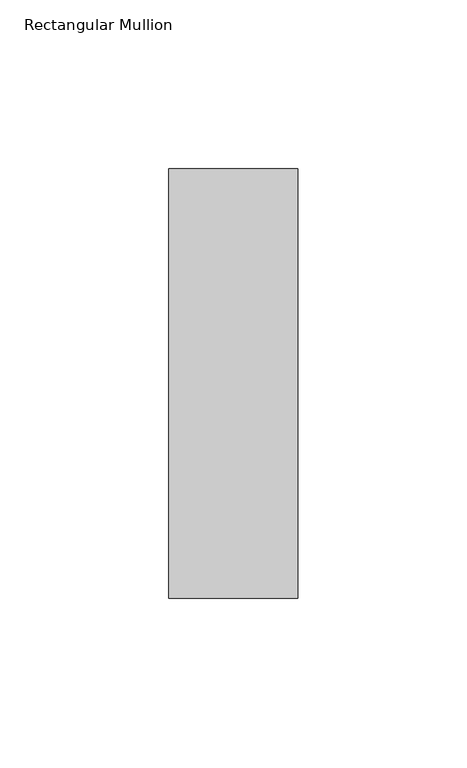
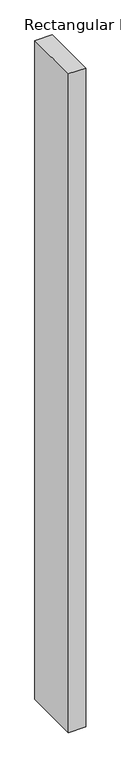
"""IFC4 building model written with IfcOpenShell, lengths in millimetres: member geometry, Rectangular Mullion."""

from ifc_helpers import new_model, si_unit, frame, origin, place, context, project, spatial, polyline, outline, extrude, source, transform, mapped, element, save


def rectangular_mullion_f0e508fa(model_context):
    return source(origin(), model_context, "Body", "SweptSolid", [
        extrude(outline(polyline([(-38.0864723, -63.5), (-38.0864723, 63.5), (0.0, 63.5), (0.0, -63.5), (-38.0864723, -63.5)])), frame((0.0, 0.0, -1529.5555443), z_axis=(0.0, 0.0, 1.0), x_axis=(1.0, 0.0, 0.0)), (0.0, 0.0, 1.0), 1529.5555443),
    ])


if __name__ == "__main__":
    model = new_model("IFC4")
    model_context = context("Model", 3, world=origin())
    ifc_project = project(units=[si_unit("LENGTHUNIT", "METRE", prefix="MILLI")], contexts=[model_context])
    site = spatial("IfcSite", under=ifc_project)
    building = spatial("IfcBuilding", under=site)
    placement = place(None, origin())
    rectangular_mullion_shape = rectangular_mullion_f0e508fa(model_context)
    element("IfcMember", 1, ObjectType="Rectangular Mullion", at=placement, inside=building, context=model_context, shape_type="MappedRepresentation", body=[
        mapped(rectangular_mullion_shape, transform((0.0, 0.0, 0.0), x_axis=(1.0, 0.0, 0.0), y_axis=(0.0, 1.0, 0.0), z_axis=(0.0, 0.0, 1.0))),
    ])
    save(model, "model.ifc")
